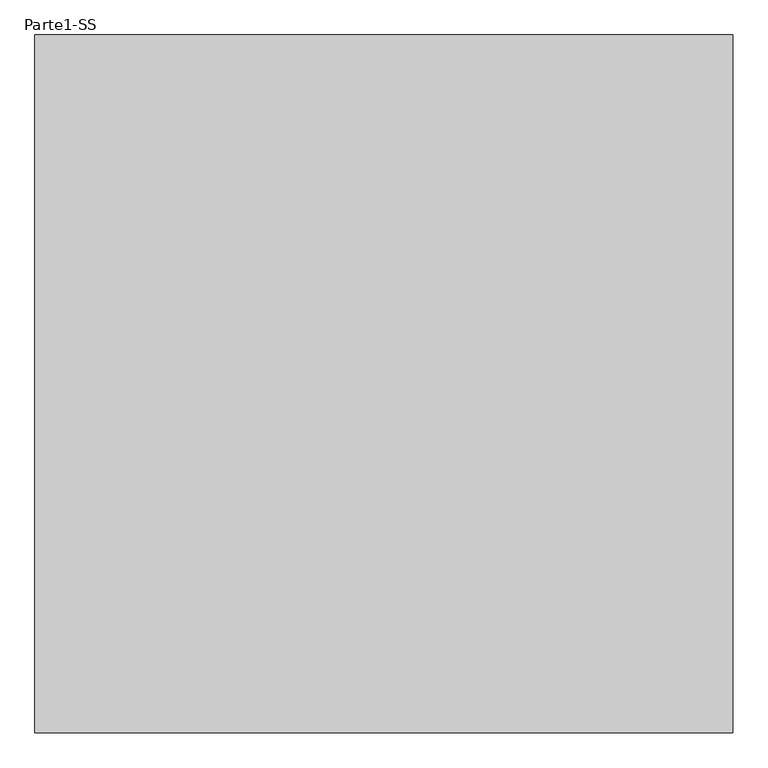
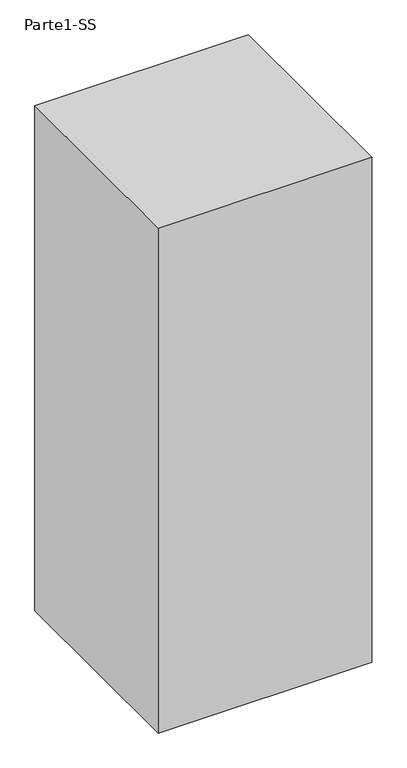
"""IFC4 building model written with IfcOpenShell, lengths in millimetres: proxy geometry, Parte1-SS."""

from ifc_helpers import new_model, si_unit, origin, origin_with_axes, place, context, project, spatial, polyline, outline, extrude, source, transform, mapped, element, save


def parte1_ss_251a2ca1(model_context):
    return source(origin(), model_context, "Body", "SweptSolid", [
        extrude(outline(polyline([(10000.0, 10000.0), (10000.0, 0.0), (0.0, 0.0), (0.0, 10000.0), (10000.0, 10000.0)])), origin_with_axes(), (0.0, 0.0, 1.0), 25000.0),
    ])


if __name__ == "__main__":
    model = new_model("IFC4")
    model_context = context("Model", 3, world=origin())
    ifc_project = project(units=[si_unit("LENGTHUNIT", "METRE", prefix="MILLI")], contexts=[model_context])
    site = spatial("IfcSite", under=ifc_project)
    building = spatial("IfcBuilding", under=site)
    placement = place(None, origin())
    parte1_ss_shape = parte1_ss_251a2ca1(model_context)
    element("IfcBuildingElementProxy", 1, Name="Parte1-SS", ObjectType="Parte1-SS", at=placement, inside=building, context=model_context, shape_type="MappedRepresentation", body=[
        mapped(parte1_ss_shape, transform((0.0, 0.0, 0.0), x_axis=(1.0, 0.0, 0.0), y_axis=(0.0, 1.0, 0.0), z_axis=(0.0, 0.0, 1.0))),
    ])
    save(model, "model.ifc")
